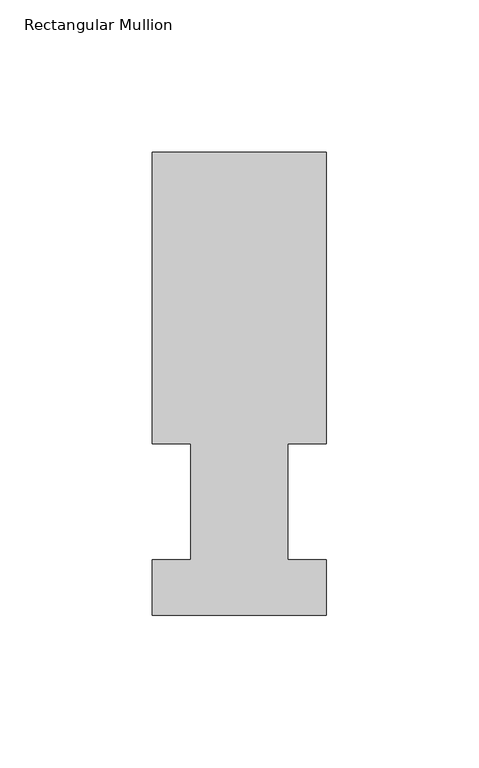
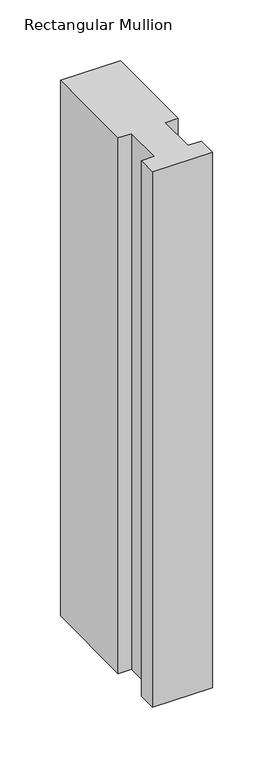
"""IFC4 building model written with IfcOpenShell, lengths in millimetres: member geometry, Rectangular Mullion."""

from ifc_helpers import new_model, si_unit, frame, origin, place, context, project, spatial, polyline, outline, extrude, source, transform, mapped, element, save


def rectangular_mullion_d990493e(model_context):
    return source(origin(), model_context, "Body", "SweptSolid", [
        extrude(outline(polyline([(-57.15, 151.98725), (0.0, 151.98725), (0.0, 56.35625), (-12.7, 56.35625), (-12.7, 18.25625), (0.0, 18.25625), (0.0, -0.03175), (-57.15, -0.03175), (-57.15, 18.25625), (-44.45, 18.25625), (-44.45, 56.35625), (-57.15, 56.35625), (-57.15, 151.98725)])), frame((0.0, 0.0, -539.75), z_axis=(0.0, 0.0, 1.0), x_axis=(1.0, 0.0, 0.0)), (0.0, 0.0, 1.0), 539.75),
    ])


if __name__ == "__main__":
    model = new_model("IFC4")
    model_context = context("Model", 3, world=origin())
    ifc_project = project(units=[si_unit("LENGTHUNIT", "METRE", prefix="MILLI")], contexts=[model_context])
    site = spatial("IfcSite", under=ifc_project)
    building = spatial("IfcBuilding", under=site)
    placement = place(None, origin())
    rectangular_mullion_shape = rectangular_mullion_d990493e(model_context)
    element("IfcMember", 1, ObjectType="Rectangular Mullion", at=placement, inside=building, context=model_context, shape_type="MappedRepresentation", body=[
        mapped(rectangular_mullion_shape, transform((0.0, 0.0, 0.0), x_axis=(1.0, 0.0, 0.0), y_axis=(0.0, 1.0, 0.0), z_axis=(0.0, 0.0, 1.0))),
    ])
    save(model, "model.ifc")
